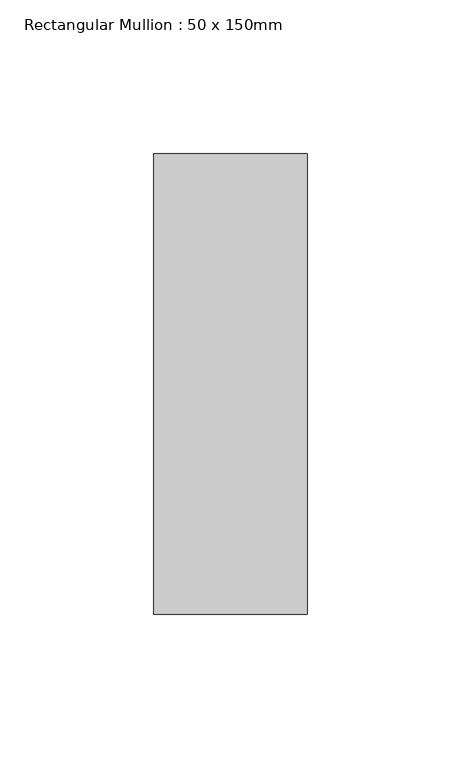
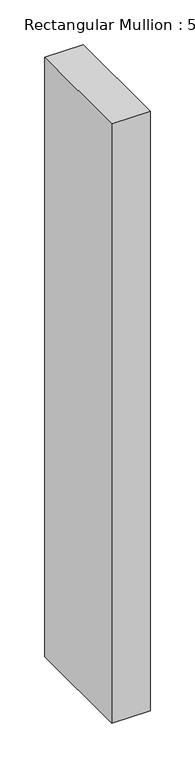
"""IFC4 building model written with IfcOpenShell, lengths in millimetres: member geometry, Rectangular Mullion : 50 x 150mm."""

import ifcopenshell
import ifcopenshell.guid

model = None  # the IFC model being written
_history = None  # IfcOwnerHistory: only IFC2X3 demands one
_inside = {}  # id of a spatial element -> (the spatial element, [elements in it])
_under = {}  # id of a project, library or spatial element -> (it, [spatial elements below it])
_declared = {}  # id of a project -> (the project, [libraries it declares])
_typed = {}  # id of a type object -> (the type object, [elements of that type])
_made_of = {}  # id of a material, layer set ... -> (it, [elements and type objects made of it])


def new_model(schema):
    """Start an empty IFC model of exactly this schema.

    Asked for "IFC4X3", IfcOpenShell would pick the latest addendum, in which some entities
    have other attributes; the version numbers below select the first issue.
    IFC2X3 requires an IfcOwnerHistory on every rooted entity: one is made here for all.
    """
    global model, _history
    if schema == "IFC4X3":
        model = ifcopenshell.file(schema_version=(4, 3, 0, 0))
    else:
        model = ifcopenshell.file(schema=schema)
    _inside.clear()
    _under.clear()
    _declared.clear()
    _typed.clear()
    _made_of.clear()
    _history = None
    if model.schema == "IFC2X3":
        org = make("IfcOrganization", Name="unknown")
        user = make(
            "IfcPersonAndOrganization",
            ThePerson=make("IfcPerson", FamilyName="unknown"),
            TheOrganization=org,
        )
        app = make(
            "IfcApplication",
            ApplicationDeveloper=org,
            Version="unknown",
            ApplicationFullName="unknown",
            ApplicationIdentifier="unknown",
        )
        _history = make(
            "IfcOwnerHistory",
            OwningUser=user,
            OwningApplication=app,
            ChangeAction="ADDED",
            CreationDate=0,
        )
    return model


def make(cls, **values):
    """One entity of the class cls with the attributes given. An attribute that is None is left unset."""
    return model.create_entity(
        cls, **{name: value for name, value in values.items() if value is not None}
    )


def rooted(cls, **values):
    """An entity with a GlobalId (a new one), such as an element, a storey or a relation."""
    return make(cls, GlobalId=ifcopenshell.guid.new(), OwnerHistory=_history, **values)


def si_unit(unit_type, name, prefix=None):
    """IfcSIUnit, for example si_unit("LENGTHUNIT", "METRE", prefix="MILLI")."""
    return make("IfcSIUnit", UnitType=unit_type, Prefix=prefix, Name=name)


def assignment(units):
    """IfcUnitAssignment: the units of a project."""
    return None if units is None else make("IfcUnitAssignment", Units=units)


def point(xyz):
    """IfcCartesianPoint."""
    return None if xyz is None else make("IfcCartesianPoint", Coordinates=xyz)


def direction(xyz):
    """IfcDirection."""
    return None if xyz is None else make("IfcDirection", DirectionRatios=xyz)


def frame(location, z_axis=None, x_axis=None):
    """IfcAxis2Placement3D, a coordinate frame: its origin and axes. An axis left out is left unset."""
    return make(
        "IfcAxis2Placement3D",
        Location=point(location),
        Axis=direction(z_axis),
        RefDirection=direction(x_axis),
    )


def origin():
    """The frame at (0, 0, 0) with its axes left unset."""
    return frame((0.0, 0.0, 0.0))


def place(relative_to, where):
    """IfcLocalPlacement: puts the frame where relative to a parent placement (None: the world)."""
    return make(
        "IfcLocalPlacement", PlacementRelTo=relative_to, RelativePlacement=where
    )


def context(
    kind, dimensions, precision=None, world=None, true_north=None, identifier=None
):
    """IfcGeometricRepresentationContext, for example the 3D "Model" context."""
    return make(
        "IfcGeometricRepresentationContext",
        ContextIdentifier=identifier,
        ContextType=kind,
        CoordinateSpaceDimension=dimensions,
        Precision=precision,
        WorldCoordinateSystem=world,
        TrueNorth=true_north,
    )


def project(units=None, contexts=None):
    """IfcProject with its units and contexts."""
    return rooted(
        "IfcProject",
        Name="project",
        RepresentationContexts=contexts,
        UnitsInContext=assignment(units),
    )


def spatial(cls, under=None, at=None, **own):
    """A site, building, storey or space (cls), placed at a placement, below another one or the project."""
    s = rooted(cls, ObjectPlacement=at, **own)
    if under is not None:
        _under.setdefault(under.id(), (under, []))[1].append(s)
    return s


def polyline(points):
    """IfcPolyline through the points."""
    return make("IfcPolyline", Points=[point(p) for p in points])


def outline(outer, holes=None, kind="AREA"):
    """IfcArbitraryClosedProfileDef: a profile drawn as a closed curve; with holes, ...WithVoids."""
    if holes is None:
        return make("IfcArbitraryClosedProfileDef", ProfileType=kind, OuterCurve=outer)
    return make(
        "IfcArbitraryProfileDefWithVoids",
        ProfileType=kind,
        OuterCurve=outer,
        InnerCurves=holes,
    )


def extrude(swept, where, along, depth):
    """IfcExtrudedAreaSolid: the profile swept, set in the frame where, extruded along a direction by depth."""
    return make(
        "IfcExtrudedAreaSolid",
        SweptArea=swept,
        Position=where,
        ExtrudedDirection=direction(along),
        Depth=depth,
    )


def shape(context_of_items, identifier, shape_type, items):
    """IfcShapeRepresentation: the items that make up one representation, for example the "Body"."""
    return make(
        "IfcShapeRepresentation",
        ContextOfItems=context_of_items,
        RepresentationIdentifier=identifier,
        RepresentationType=shape_type,
        Items=items,
    )


def source(mapping_origin, context_of_items, identifier, shape_type, items):
    """IfcRepresentationMap: a shape defined once, which mapped items show again and again."""
    return make(
        "IfcRepresentationMap",
        MappingOrigin=mapping_origin,
        MappedRepresentation=shape(context_of_items, identifier, shape_type, items),
    )


def transform(
    local_origin,
    x_axis=None,
    y_axis=None,
    z_axis=None,
    scale=None,
    scale2=None,
    scale3=None,
    uniform=True,
):
    """IfcCartesianTransformationOperator3D, or its non-uniform kind. x_axis, y_axis, z_axis: its Axis1, 2, 3."""
    if uniform:
        return make(
            "IfcCartesianTransformationOperator3D",
            Axis1=direction(x_axis),
            Axis2=direction(y_axis),
            LocalOrigin=point(local_origin),
            Scale=scale,
            Axis3=direction(z_axis),
        )
    return make(
        "IfcCartesianTransformationOperator3DnonUniform",
        Axis1=direction(x_axis),
        Axis2=direction(y_axis),
        LocalOrigin=point(local_origin),
        Scale=scale,
        Axis3=direction(z_axis),
        Scale2=scale2,
        Scale3=scale3,
    )


def mapped(mapping_source, mapping_target):
    """IfcMappedItem: shows the shape of a source again, moved by a transform."""
    return make(
        "IfcMappedItem", MappingSource=mapping_source, MappingTarget=mapping_target
    )


def made_of(thing, what):
    """Note that an element or type object is made of a material, layer set ...; save() writes the relation."""
    if what is not None:
        _made_of.setdefault(what.id(), (what, []))[1].append(thing)
    return thing


def element(
    cls,
    number,
    at=None,
    inside=None,
    cuts=None,
    type_object=None,
    material=None,
    context=None,
    identifier="Body",
    shape_type=None,
    held_by="IfcProductDefinitionShape",
    body=None,
    shapes=None,
    **own,
):
    """One element of the class cls, such as IfcWall. Its Tag is "e" and its number.

    at: its placement. inside: the storey or other place that contains it. cuts: it is an
    opening in that element (IfcRelVoidsElement). A single representation is given by context,
    identifier, shape_type and body (its items); several are given by shapes. held_by: the class
    of the entity that holds the representations. save() writes the other relations.
    """
    e = rooted(cls, Tag="e%d" % number, ObjectPlacement=at, **own)
    if body is not None:
        shapes = [shape(context, identifier, shape_type, body)]
    if shapes is not None:
        e.Representation = make(held_by, Representations=shapes)
    if inside is not None:
        _inside.setdefault(inside.id(), (inside, []))[1].append(e)
    if cuts is not None:
        rooted(
            "IfcRelVoidsElement", RelatingBuildingElement=cuts, RelatedOpeningElement=e
        )
    if type_object is not None:
        _typed.setdefault(type_object.id(), (type_object, []))[1].append(e)
    return made_of(e, material)


def aggregate(whole, parts):
    """IfcRelAggregates: a whole, such as a stair, and the parts it consists of."""
    return rooted("IfcRelAggregates", RelatingObject=whole, RelatedObjects=parts)


def save(model, path):
    """Write the relations noted so far, then the file.

    IfcRelAggregates (storeys below a building ...), IfcRelContainedInSpatialStructure (elements
    in a storey), IfcRelDefinesByType, IfcRelAssociatesMaterial and IfcRelDeclares: one each for
    every whole, place, type object, material and project.
    """
    for whole, parts in _under.values():
        aggregate(whole, parts)
    for where, things in _inside.values():
        rooted(
            "IfcRelContainedInSpatialStructure",
            RelatedElements=things,
            RelatingStructure=where,
        )
    for kind, things in _typed.values():
        rooted("IfcRelDefinesByType", RelatedObjects=things, RelatingType=kind)
    for what, things in _made_of.values():
        rooted("IfcRelAssociatesMaterial", RelatedObjects=things, RelatingMaterial=what)
    for by, libraries in _declared.values():
        rooted("IfcRelDeclares", RelatingContext=by, RelatedDefinitions=libraries)
    model.write(path)


def rectangular_mullion_50_x_150mm_14e9e993(model_context):
    return source(origin(), model_context, "Body", "SweptSolid", [
        extrude(outline(polyline([(25.0, 75.0), (25.0, -75.0), (-25.0, -75.0), (-25.0, 75.0), (25.0, 75.0)])), frame((0.0, 0.0, -820.0), z_axis=(0.0, 0.0, 1.0), x_axis=(1.0, 0.0, 0.0)), (0.0, 0.0, 1.0), 820.0),
    ])


if __name__ == "__main__":
    model = new_model("IFC4")
    model_context = context("Model", 3, world=origin())
    ifc_project = project(units=[si_unit("LENGTHUNIT", "METRE", prefix="MILLI")], contexts=[model_context])
    site = spatial("IfcSite", under=ifc_project)
    building = spatial("IfcBuilding", under=site)
    placement = place(None, origin())
    rectangular_mullion_50_x_150mm_shape = rectangular_mullion_50_x_150mm_14e9e993(model_context)
    element("IfcMember", 1, ObjectType="Rectangular Mullion : 50 x 150mm", at=placement, inside=building, context=model_context, shape_type="MappedRepresentation", body=[
        mapped(rectangular_mullion_50_x_150mm_shape, transform((0.0, 0.0, 0.0), x_axis=(1.0, 0.0, 0.0), y_axis=(0.0, 1.0, 0.0), z_axis=(0.0, 0.0, 1.0))),
    ])
    save(model, "model.ifc")
